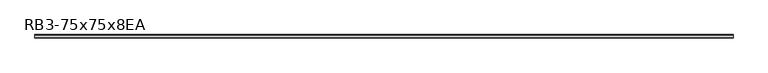
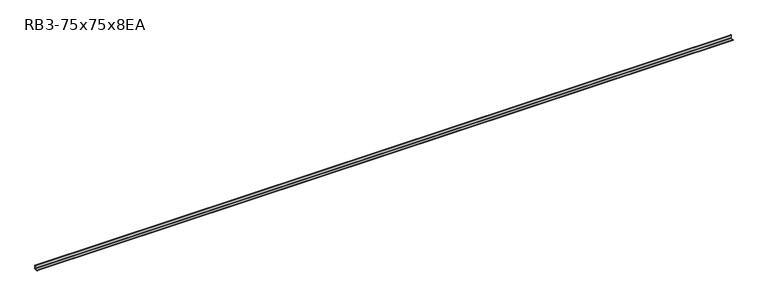
"""IFC4 building model written with IfcOpenShell, lengths in millimetres: member geometry, RB3-75x75x8EA."""

from ifc_helpers import new_model, si_unit, point, frame, frame_2d, origin, place, context, project, spatial, polyline, circle_curve, trimmed, segment, composite_curve, outline, extrude, source, transform, mapped, element, save


def rb3_75x75x8ea_a0805df5(model_context):
    return source(origin(), model_context, "Body", "SweptSolid", [
        extrude(outline(composite_curve([segment(polyline([(21.3, -21.3), (-53.7, -21.3), (-53.7, -18.3)]), True, "CONTINUOUS"), segment(trimmed(circle_curve(frame_2d((-48.7, -18.3)), 5.0), [point((-53.7, -18.3))], [point((-48.7, -13.3))], False, "CARTESIAN"), True, "CONTINUOUS"), segment(polyline([(-48.7, -13.3), (5.3, -13.3)]), True, "CONTINUOUS"), segment(trimmed(circle_curve(frame_2d((5.3, -5.3)), 8.0), [point((5.3, -13.3))], [point((13.3, -5.3))], True, "CARTESIAN"), True, "CONTINUOUS"), segment(polyline([(13.3, -5.3), (13.3, 48.7)]), True, "CONTINUOUS"), segment(trimmed(circle_curve(frame_2d((18.3, 48.7)), 5.0), [point((13.3, 48.7))], [point((18.3, 53.7))], False, "CARTESIAN"), True, "CONTINUOUS"), segment(polyline([(18.3, 53.7), (21.3, 53.7), (21.3, -21.3)]), True, "CONTINUOUS")], self_intersect=False)), frame((-7610.0, 0.0, 0.0), z_axis=(1.0, 0.0, 0.0), x_axis=(0.0, 1.0, 0.0)), (0.0, 0.0, 1.0), 14862.0),
    ])


if __name__ == "__main__":
    model = new_model("IFC4")
    model_context = context("Model", 3, world=origin())
    ifc_project = project(units=[si_unit("LENGTHUNIT", "METRE", prefix="MILLI")], contexts=[model_context])
    site = spatial("IfcSite", under=ifc_project)
    building = spatial("IfcBuilding", under=site)
    placement = place(None, origin())
    rb3_75x75x8ea_shape = rb3_75x75x8ea_a0805df5(model_context)
    element("IfcMember", 1, ObjectType="RB3-75x75x8EA", at=placement, inside=building, context=model_context, shape_type="MappedRepresentation", body=[
        mapped(rb3_75x75x8ea_shape, transform((0.0, 0.0, 0.0), x_axis=(1.0, 0.0, 0.0), y_axis=(0.0, 1.0, 0.0), z_axis=(0.0, 0.0, 1.0))),
    ])
    save(model, "model.ifc")
